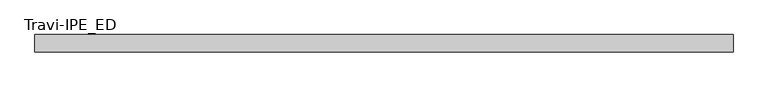
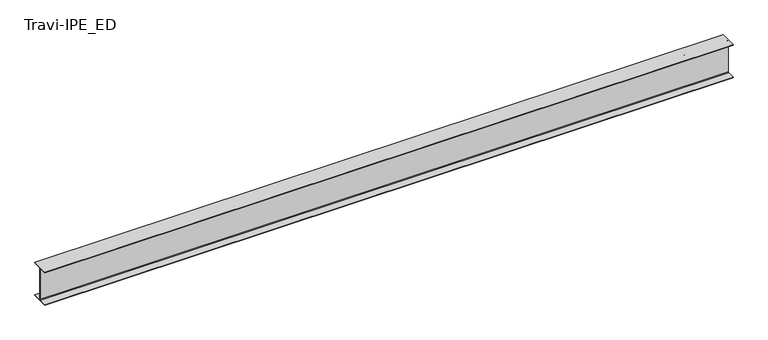
"""IFC4 building model written with IfcOpenShell, lengths in millimetres: beam geometry, Travi-IPE_ED."""

from ifc_helpers import new_model, si_unit, point, frame, frame_2d, origin, place, context, project, spatial, polyline, circle_curve, trimmed, segment, composite_curve, outline, extrude, source, transform, mapped, element, save


def travi_ipe_ed_ebf03dbe(model_context):
    return source(origin(), model_context, "Body", "SweptSolid", [
        extrude(outline(composite_curve([segment(polyline([(75.0, -147.0), (75.0, -150.0), (-75.0, -150.0), (-75.0, -147.0), (-8.5, -147.0)]), True, "CONTINUOUS"), segment(trimmed(circle_curve(frame_2d((-8.5, -140.0)), 7.0), [point((-8.5, -147.0))], [point((-1.5, -140.0))], True, "CARTESIAN"), True, "CONTINUOUS"), segment(polyline([(-1.5, -140.0), (-1.5, 140.0)]), True, "CONTINUOUS"), segment(trimmed(circle_curve(frame_2d((-8.5, 140.0)), 7.0), [point((-1.5, 140.0))], [point((-8.5, 147.0))], True, "CARTESIAN"), True, "CONTINUOUS"), segment(polyline([(-8.5, 147.0), (-75.0, 147.0), (-75.0, 150.0), (75.0, 150.0), (75.0, 147.0), (8.5, 147.0)]), True, "CONTINUOUS"), segment(trimmed(circle_curve(frame_2d((8.5, 140.0)), 7.0), [point((8.5, 147.0))], [point((1.5, 140.0))], True, "CARTESIAN"), True, "CONTINUOUS"), segment(polyline([(1.5, 140.0), (1.5, -140.0)]), True, "CONTINUOUS"), segment(trimmed(circle_curve(frame_2d((8.5, -140.0)), 7.0), [point((1.5, -140.0))], [point((8.5, -147.0))], True, "CARTESIAN"), True, "CONTINUOUS"), segment(polyline([(8.5, -147.0), (75.0, -147.0)]), True, "CONTINUOUS")], self_intersect=False)), frame((-3028.6812645, 0.0, 0.0), z_axis=(1.0, 0.0, 0.0), x_axis=(0.0, 1.0, 0.0)), (0.0, 0.0, 1.0), 5960.0652324),
    ])


if __name__ == "__main__":
    model = new_model("IFC4")
    model_context = context("Model", 3, world=origin())
    ifc_project = project(units=[si_unit("LENGTHUNIT", "METRE", prefix="MILLI")], contexts=[model_context])
    site = spatial("IfcSite", under=ifc_project)
    building = spatial("IfcBuilding", under=site)
    placement = place(None, origin())
    travi_ipe_ed_shape = travi_ipe_ed_ebf03dbe(model_context)
    element("IfcBeam", 1, ObjectType="Travi-IPE_ED", at=placement, inside=building, context=model_context, shape_type="MappedRepresentation", body=[
        mapped(travi_ipe_ed_shape, transform((0.0, 0.0, 0.0), x_axis=(1.0, 0.0, 0.0), y_axis=(0.0, 1.0, 0.0), z_axis=(0.0, 0.0, 1.0))),
    ])
    save(model, "model.ifc")
